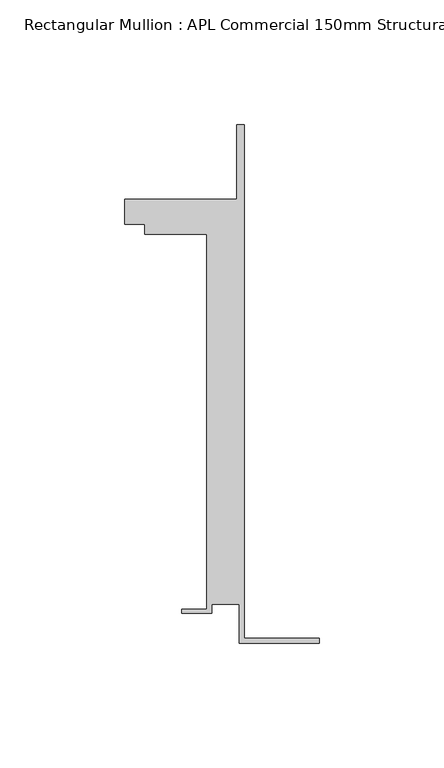
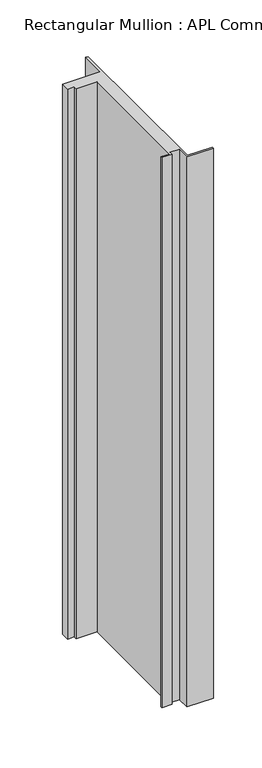
"""IFC4 building model written with IfcOpenShell, lengths in millimetres: member geometry, Rectangular Mullion : APL Commercial 150mm Structural Glaze SubSill."""

import ifcopenshell
import ifcopenshell.guid

model = None  # the IFC model being written
_history = None  # IfcOwnerHistory: only IFC2X3 demands one
_inside = {}  # id of a spatial element -> (the spatial element, [elements in it])
_under = {}  # id of a project, library or spatial element -> (it, [spatial elements below it])
_declared = {}  # id of a project -> (the project, [libraries it declares])
_typed = {}  # id of a type object -> (the type object, [elements of that type])
_made_of = {}  # id of a material, layer set ... -> (it, [elements and type objects made of it])


def new_model(schema):
    """Start an empty IFC model of exactly this schema.

    Asked for "IFC4X3", IfcOpenShell would pick the latest addendum, in which some entities
    have other attributes; the version numbers below select the first issue.
    IFC2X3 requires an IfcOwnerHistory on every rooted entity: one is made here for all.
    """
    global model, _history
    if schema == "IFC4X3":
        model = ifcopenshell.file(schema_version=(4, 3, 0, 0))
    else:
        model = ifcopenshell.file(schema=schema)
    _inside.clear()
    _under.clear()
    _declared.clear()
    _typed.clear()
    _made_of.clear()
    _history = None
    if model.schema == "IFC2X3":
        org = make("IfcOrganization", Name="unknown")
        user = make(
            "IfcPersonAndOrganization",
            ThePerson=make("IfcPerson", FamilyName="unknown"),
            TheOrganization=org,
        )
        app = make(
            "IfcApplication",
            ApplicationDeveloper=org,
            Version="unknown",
            ApplicationFullName="unknown",
            ApplicationIdentifier="unknown",
        )
        _history = make(
            "IfcOwnerHistory",
            OwningUser=user,
            OwningApplication=app,
            ChangeAction="ADDED",
            CreationDate=0,
        )
    return model


def make(cls, **values):
    """One entity of the class cls with the attributes given. An attribute that is None is left unset."""
    return model.create_entity(
        cls, **{name: value for name, value in values.items() if value is not None}
    )


def rooted(cls, **values):
    """An entity with a GlobalId (a new one), such as an element, a storey or a relation."""
    return make(cls, GlobalId=ifcopenshell.guid.new(), OwnerHistory=_history, **values)


def si_unit(unit_type, name, prefix=None):
    """IfcSIUnit, for example si_unit("LENGTHUNIT", "METRE", prefix="MILLI")."""
    return make("IfcSIUnit", UnitType=unit_type, Prefix=prefix, Name=name)


def assignment(units):
    """IfcUnitAssignment: the units of a project."""
    return None if units is None else make("IfcUnitAssignment", Units=units)


def point(xyz):
    """IfcCartesianPoint."""
    return None if xyz is None else make("IfcCartesianPoint", Coordinates=xyz)


def direction(xyz):
    """IfcDirection."""
    return None if xyz is None else make("IfcDirection", DirectionRatios=xyz)


def frame(location, z_axis=None, x_axis=None):
    """IfcAxis2Placement3D, a coordinate frame: its origin and axes. An axis left out is left unset."""
    return make(
        "IfcAxis2Placement3D",
        Location=point(location),
        Axis=direction(z_axis),
        RefDirection=direction(x_axis),
    )


def origin():
    """The frame at (0, 0, 0) with its axes left unset."""
    return frame((0.0, 0.0, 0.0))


def place(relative_to, where):
    """IfcLocalPlacement: puts the frame where relative to a parent placement (None: the world)."""
    return make(
        "IfcLocalPlacement", PlacementRelTo=relative_to, RelativePlacement=where
    )


def context(
    kind, dimensions, precision=None, world=None, true_north=None, identifier=None
):
    """IfcGeometricRepresentationContext, for example the 3D "Model" context."""
    return make(
        "IfcGeometricRepresentationContext",
        ContextIdentifier=identifier,
        ContextType=kind,
        CoordinateSpaceDimension=dimensions,
        Precision=precision,
        WorldCoordinateSystem=world,
        TrueNorth=true_north,
    )


def project(units=None, contexts=None):
    """IfcProject with its units and contexts."""
    return rooted(
        "IfcProject",
        Name="project",
        RepresentationContexts=contexts,
        UnitsInContext=assignment(units),
    )


def spatial(cls, under=None, at=None, **own):
    """A site, building, storey or space (cls), placed at a placement, below another one or the project."""
    s = rooted(cls, ObjectPlacement=at, **own)
    if under is not None:
        _under.setdefault(under.id(), (under, []))[1].append(s)
    return s


def polyline(points):
    """IfcPolyline through the points."""
    return make("IfcPolyline", Points=[point(p) for p in points])


def outline(outer, holes=None, kind="AREA"):
    """IfcArbitraryClosedProfileDef: a profile drawn as a closed curve; with holes, ...WithVoids."""
    if holes is None:
        return make("IfcArbitraryClosedProfileDef", ProfileType=kind, OuterCurve=outer)
    return make(
        "IfcArbitraryProfileDefWithVoids",
        ProfileType=kind,
        OuterCurve=outer,
        InnerCurves=holes,
    )


def extrude(swept, where, along, depth):
    """IfcExtrudedAreaSolid: the profile swept, set in the frame where, extruded along a direction by depth."""
    return make(
        "IfcExtrudedAreaSolid",
        SweptArea=swept,
        Position=where,
        ExtrudedDirection=direction(along),
        Depth=depth,
    )


def shape(context_of_items, identifier, shape_type, items):
    """IfcShapeRepresentation: the items that make up one representation, for example the "Body"."""
    return make(
        "IfcShapeRepresentation",
        ContextOfItems=context_of_items,
        RepresentationIdentifier=identifier,
        RepresentationType=shape_type,
        Items=items,
    )


def source(mapping_origin, context_of_items, identifier, shape_type, items):
    """IfcRepresentationMap: a shape defined once, which mapped items show again and again."""
    return make(
        "IfcRepresentationMap",
        MappingOrigin=mapping_origin,
        MappedRepresentation=shape(context_of_items, identifier, shape_type, items),
    )


def transform(
    local_origin,
    x_axis=None,
    y_axis=None,
    z_axis=None,
    scale=None,
    scale2=None,
    scale3=None,
    uniform=True,
):
    """IfcCartesianTransformationOperator3D, or its non-uniform kind. x_axis, y_axis, z_axis: its Axis1, 2, 3."""
    if uniform:
        return make(
            "IfcCartesianTransformationOperator3D",
            Axis1=direction(x_axis),
            Axis2=direction(y_axis),
            LocalOrigin=point(local_origin),
            Scale=scale,
            Axis3=direction(z_axis),
        )
    return make(
        "IfcCartesianTransformationOperator3DnonUniform",
        Axis1=direction(x_axis),
        Axis2=direction(y_axis),
        LocalOrigin=point(local_origin),
        Scale=scale,
        Axis3=direction(z_axis),
        Scale2=scale2,
        Scale3=scale3,
    )


def mapped(mapping_source, mapping_target):
    """IfcMappedItem: shows the shape of a source again, moved by a transform."""
    return make(
        "IfcMappedItem", MappingSource=mapping_source, MappingTarget=mapping_target
    )


def made_of(thing, what):
    """Note that an element or type object is made of a material, layer set ...; save() writes the relation."""
    if what is not None:
        _made_of.setdefault(what.id(), (what, []))[1].append(thing)
    return thing


def element(
    cls,
    number,
    at=None,
    inside=None,
    cuts=None,
    type_object=None,
    material=None,
    context=None,
    identifier="Body",
    shape_type=None,
    held_by="IfcProductDefinitionShape",
    body=None,
    shapes=None,
    **own,
):
    """One element of the class cls, such as IfcWall. Its Tag is "e" and its number.

    at: its placement. inside: the storey or other place that contains it. cuts: it is an
    opening in that element (IfcRelVoidsElement). A single representation is given by context,
    identifier, shape_type and body (its items); several are given by shapes. held_by: the class
    of the entity that holds the representations. save() writes the other relations.
    """
    e = rooted(cls, Tag="e%d" % number, ObjectPlacement=at, **own)
    if body is not None:
        shapes = [shape(context, identifier, shape_type, body)]
    if shapes is not None:
        e.Representation = make(held_by, Representations=shapes)
    if inside is not None:
        _inside.setdefault(inside.id(), (inside, []))[1].append(e)
    if cuts is not None:
        rooted(
            "IfcRelVoidsElement", RelatingBuildingElement=cuts, RelatedOpeningElement=e
        )
    if type_object is not None:
        _typed.setdefault(type_object.id(), (type_object, []))[1].append(e)
    return made_of(e, material)


def aggregate(whole, parts):
    """IfcRelAggregates: a whole, such as a stair, and the parts it consists of."""
    return rooted("IfcRelAggregates", RelatingObject=whole, RelatedObjects=parts)


def save(model, path):
    """Write the relations noted so far, then the file.

    IfcRelAggregates (storeys below a building ...), IfcRelContainedInSpatialStructure (elements
    in a storey), IfcRelDefinesByType, IfcRelAssociatesMaterial and IfcRelDeclares: one each for
    every whole, place, type object, material and project.
    """
    for whole, parts in _under.values():
        aggregate(whole, parts)
    for where, things in _inside.values():
        rooted(
            "IfcRelContainedInSpatialStructure",
            RelatedElements=things,
            RelatingStructure=where,
        )
    for kind, things in _typed.values():
        rooted("IfcRelDefinesByType", RelatedObjects=things, RelatingType=kind)
    for what, things in _made_of.values():
        rooted("IfcRelAssociatesMaterial", RelatedObjects=things, RelatingMaterial=what)
    for by, libraries in _declared.values():
        rooted("IfcRelDeclares", RelatingContext=by, RelatedDefinitions=libraries)
    model.write(path)


def rectangular_mullion_apl_commercial_150mm_structural_glaze_36452586(model_context):
    return source(origin(), model_context, "Body", "SweptSolid", [
        extrude(outline(polyline([(-32.0, -41.25), (-32.0, -25.75), (-43.0, -25.75), (-43.0, -29.25), (-55.0, -29.25), (-55.0, -27.75), (-45.0, -27.75), (-45.0, 122.75), (-70.0000284, 122.75), (-70.0000284, 126.75), (-78.0000284, 126.75), (-78.0000284, 136.75), (-33.0000284, 136.75), (-33.0000284, 166.75), (-30.0, 166.75), (-30.0, -39.25), (0.0, -39.25), (0.0, -41.25), (-32.0, -41.25)])), frame((0.0, 0.0, -695.6252947), z_axis=(0.0, 0.0, 1.0), x_axis=(1.0, 0.0, 0.0)), (0.0, 0.0, 1.0), 695.6252947),
    ])


if __name__ == "__main__":
    model = new_model("IFC4")
    model_context = context("Model", 3, world=origin())
    ifc_project = project(units=[si_unit("LENGTHUNIT", "METRE", prefix="MILLI")], contexts=[model_context])
    site = spatial("IfcSite", under=ifc_project)
    building = spatial("IfcBuilding", under=site)
    placement = place(None, origin())
    rectangular_mullion_apl_commercial_150mm_structural_glaze_shape = rectangular_mullion_apl_commercial_150mm_structural_glaze_36452586(model_context)
    element("IfcMember", 1, ObjectType="Rectangular Mullion : APL Commercial 150mm Structural Glaze SubSill", at=placement, inside=building, context=model_context, shape_type="MappedRepresentation", body=[
        mapped(rectangular_mullion_apl_commercial_150mm_structural_glaze_shape, transform((0.0, 0.0, 0.0), x_axis=(1.0, 0.0, 0.0), y_axis=(0.0, 1.0, 0.0), z_axis=(0.0, 0.0, 1.0))),
    ])
    save(model, "model.ifc")
